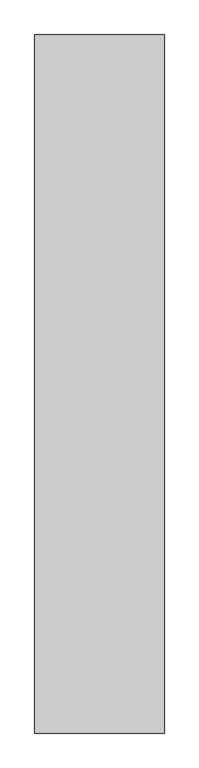
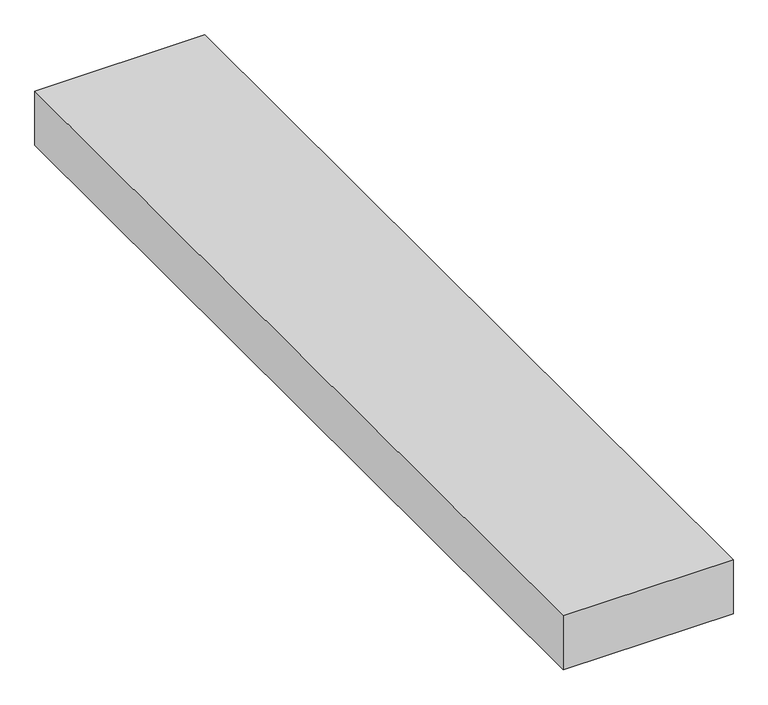
"""IFC4 building model written with IfcOpenShell, lengths in millimetres: proxy geometry."""

from ifc_helpers import new_model, si_unit, origin, origin_with_axes, place, context, project, spatial, polyline, outline, extrude, source, transform, mapped, element, save


def generic_models_af8a9b95(model_context):
    return source(origin(), model_context, "Body", "SweptSolid", [
        extrude(outline(polyline([(0.0, 7000.0), (0.0, 0.0), (-1300.0, 0.0), (-1300.0, 7000.0), (0.0, 7000.0)])), origin_with_axes(), (0.0, 0.0, 1.0), 436.6666667),
    ])


if __name__ == "__main__":
    model = new_model("IFC4")
    model_context = context("Model", 3, world=origin())
    ifc_project = project(units=[si_unit("LENGTHUNIT", "METRE", prefix="MILLI")], contexts=[model_context])
    site = spatial("IfcSite", under=ifc_project)
    building = spatial("IfcBuilding", under=site)
    placement = place(None, origin())
    generic_models_shape = generic_models_af8a9b95(model_context)
    element("IfcBuildingElementProxy", 1, Name="Generic Models", at=placement, inside=building, context=model_context, shape_type="MappedRepresentation", body=[
        mapped(generic_models_shape, transform((0.0, 0.0, 0.0), x_axis=(1.0, 0.0, 0.0), y_axis=(0.0, 1.0, 0.0), z_axis=(0.0, 0.0, 1.0))),
    ])
    save(model, "model.ifc")
